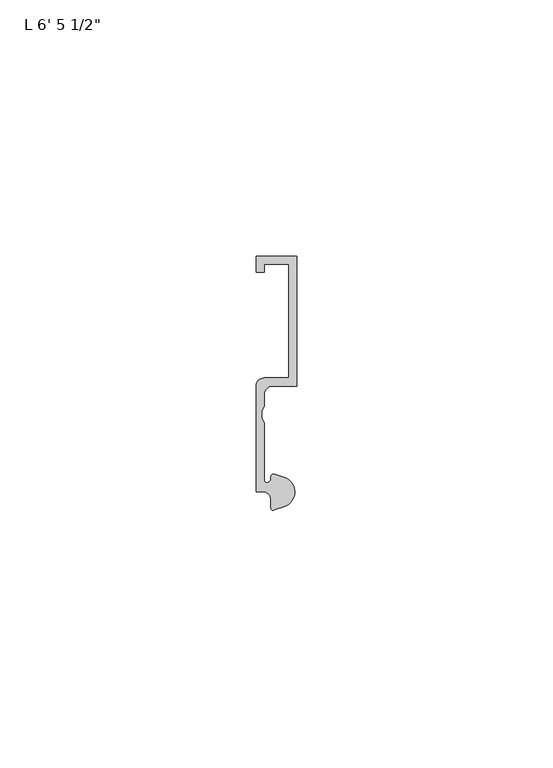
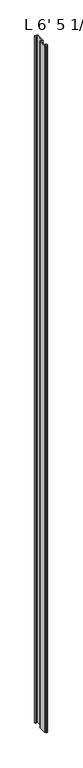
"""IFC4 building model written with IfcOpenShell, lengths in millimetres: proxy geometry."""

import ifcopenshell
import ifcopenshell.guid

model = None  # the IFC model being written
_history = None  # IfcOwnerHistory: only IFC2X3 demands one
_inside = {}  # id of a spatial element -> (the spatial element, [elements in it])
_under = {}  # id of a project, library or spatial element -> (it, [spatial elements below it])
_declared = {}  # id of a project -> (the project, [libraries it declares])
_typed = {}  # id of a type object -> (the type object, [elements of that type])
_made_of = {}  # id of a material, layer set ... -> (it, [elements and type objects made of it])


def new_model(schema):
    """Start an empty IFC model of exactly this schema.

    Asked for "IFC4X3", IfcOpenShell would pick the latest addendum, in which some entities
    have other attributes; the version numbers below select the first issue.
    IFC2X3 requires an IfcOwnerHistory on every rooted entity: one is made here for all.
    """
    global model, _history
    if schema == "IFC4X3":
        model = ifcopenshell.file(schema_version=(4, 3, 0, 0))
    else:
        model = ifcopenshell.file(schema=schema)
    _inside.clear()
    _under.clear()
    _declared.clear()
    _typed.clear()
    _made_of.clear()
    _history = None
    if model.schema == "IFC2X3":
        org = make("IfcOrganization", Name="unknown")
        user = make(
            "IfcPersonAndOrganization",
            ThePerson=make("IfcPerson", FamilyName="unknown"),
            TheOrganization=org,
        )
        app = make(
            "IfcApplication",
            ApplicationDeveloper=org,
            Version="unknown",
            ApplicationFullName="unknown",
            ApplicationIdentifier="unknown",
        )
        _history = make(
            "IfcOwnerHistory",
            OwningUser=user,
            OwningApplication=app,
            ChangeAction="ADDED",
            CreationDate=0,
        )
    return model


def make(cls, **values):
    """One entity of the class cls with the attributes given. An attribute that is None is left unset."""
    return model.create_entity(
        cls, **{name: value for name, value in values.items() if value is not None}
    )


def rooted(cls, **values):
    """An entity with a GlobalId (a new one), such as an element, a storey or a relation."""
    return make(cls, GlobalId=ifcopenshell.guid.new(), OwnerHistory=_history, **values)


def si_unit(unit_type, name, prefix=None):
    """IfcSIUnit, for example si_unit("LENGTHUNIT", "METRE", prefix="MILLI")."""
    return make("IfcSIUnit", UnitType=unit_type, Prefix=prefix, Name=name)


def assignment(units):
    """IfcUnitAssignment: the units of a project."""
    return None if units is None else make("IfcUnitAssignment", Units=units)


def point(xyz):
    """IfcCartesianPoint."""
    return None if xyz is None else make("IfcCartesianPoint", Coordinates=xyz)


def direction(xyz):
    """IfcDirection."""
    return None if xyz is None else make("IfcDirection", DirectionRatios=xyz)


def frame(location, z_axis=None, x_axis=None):
    """IfcAxis2Placement3D, a coordinate frame: its origin and axes. An axis left out is left unset."""
    return make(
        "IfcAxis2Placement3D",
        Location=point(location),
        Axis=direction(z_axis),
        RefDirection=direction(x_axis),
    )


def frame_2d(location, x_axis=None):
    """IfcAxis2Placement2D, a coordinate frame in the plane: its origin and x axis."""
    return make(
        "IfcAxis2Placement2D", Location=point(location), RefDirection=direction(x_axis)
    )


def origin():
    """The frame at (0, 0, 0) with its axes left unset."""
    return frame((0.0, 0.0, 0.0))


def origin_with_axes():
    """The frame at (0, 0, 0) with the z axis (0, 0, 1) and the x axis (1, 0, 0) written out."""
    return frame((0.0, 0.0, 0.0), z_axis=(0.0, 0.0, 1.0), x_axis=(1.0, 0.0, 0.0))


def place(relative_to, where):
    """IfcLocalPlacement: puts the frame where relative to a parent placement (None: the world)."""
    return make(
        "IfcLocalPlacement", PlacementRelTo=relative_to, RelativePlacement=where
    )


def context(
    kind, dimensions, precision=None, world=None, true_north=None, identifier=None
):
    """IfcGeometricRepresentationContext, for example the 3D "Model" context."""
    return make(
        "IfcGeometricRepresentationContext",
        ContextIdentifier=identifier,
        ContextType=kind,
        CoordinateSpaceDimension=dimensions,
        Precision=precision,
        WorldCoordinateSystem=world,
        TrueNorth=true_north,
    )


def project(units=None, contexts=None):
    """IfcProject with its units and contexts."""
    return rooted(
        "IfcProject",
        Name="project",
        RepresentationContexts=contexts,
        UnitsInContext=assignment(units),
    )


def spatial(cls, under=None, at=None, **own):
    """A site, building, storey or space (cls), placed at a placement, below another one or the project."""
    s = rooted(cls, ObjectPlacement=at, **own)
    if under is not None:
        _under.setdefault(under.id(), (under, []))[1].append(s)
    return s


def polyline(points):
    """IfcPolyline through the points."""
    return make("IfcPolyline", Points=[point(p) for p in points])


def circle_curve(where, radius):
    """IfcCircle in the frame where."""
    return make("IfcCircle", Position=where, Radius=radius)


def trimmed(basis, trim1, trim2, sense, master):
    """IfcTrimmedCurve: the piece of a basis curve between two trims."""
    return make(
        "IfcTrimmedCurve",
        BasisCurve=basis,
        Trim1=trim1,
        Trim2=trim2,
        SenseAgreement=sense,
        MasterRepresentation=master,
    )


def segment(curve, same_sense, transition):
    """IfcCompositeCurveSegment."""
    return make(
        "IfcCompositeCurveSegment",
        Transition=transition,
        SameSense=same_sense,
        ParentCurve=curve,
    )


def composite_curve(segments, self_intersect=None):
    """IfcCompositeCurve: segments joined end to end."""
    return make("IfcCompositeCurve", Segments=segments, SelfIntersect=self_intersect)


def outline(outer, holes=None, kind="AREA"):
    """IfcArbitraryClosedProfileDef: a profile drawn as a closed curve; with holes, ...WithVoids."""
    if holes is None:
        return make("IfcArbitraryClosedProfileDef", ProfileType=kind, OuterCurve=outer)
    return make(
        "IfcArbitraryProfileDefWithVoids",
        ProfileType=kind,
        OuterCurve=outer,
        InnerCurves=holes,
    )


def extrude(swept, where, along, depth):
    """IfcExtrudedAreaSolid: the profile swept, set in the frame where, extruded along a direction by depth."""
    return make(
        "IfcExtrudedAreaSolid",
        SweptArea=swept,
        Position=where,
        ExtrudedDirection=direction(along),
        Depth=depth,
    )


def shape(context_of_items, identifier, shape_type, items):
    """IfcShapeRepresentation: the items that make up one representation, for example the "Body"."""
    return make(
        "IfcShapeRepresentation",
        ContextOfItems=context_of_items,
        RepresentationIdentifier=identifier,
        RepresentationType=shape_type,
        Items=items,
    )


def source(mapping_origin, context_of_items, identifier, shape_type, items):
    """IfcRepresentationMap: a shape defined once, which mapped items show again and again."""
    return make(
        "IfcRepresentationMap",
        MappingOrigin=mapping_origin,
        MappedRepresentation=shape(context_of_items, identifier, shape_type, items),
    )


def transform(
    local_origin,
    x_axis=None,
    y_axis=None,
    z_axis=None,
    scale=None,
    scale2=None,
    scale3=None,
    uniform=True,
):
    """IfcCartesianTransformationOperator3D, or its non-uniform kind. x_axis, y_axis, z_axis: its Axis1, 2, 3."""
    if uniform:
        return make(
            "IfcCartesianTransformationOperator3D",
            Axis1=direction(x_axis),
            Axis2=direction(y_axis),
            LocalOrigin=point(local_origin),
            Scale=scale,
            Axis3=direction(z_axis),
        )
    return make(
        "IfcCartesianTransformationOperator3DnonUniform",
        Axis1=direction(x_axis),
        Axis2=direction(y_axis),
        LocalOrigin=point(local_origin),
        Scale=scale,
        Axis3=direction(z_axis),
        Scale2=scale2,
        Scale3=scale3,
    )


def mapped(mapping_source, mapping_target):
    """IfcMappedItem: shows the shape of a source again, moved by a transform."""
    return make(
        "IfcMappedItem", MappingSource=mapping_source, MappingTarget=mapping_target
    )


def made_of(thing, what):
    """Note that an element or type object is made of a material, layer set ...; save() writes the relation."""
    if what is not None:
        _made_of.setdefault(what.id(), (what, []))[1].append(thing)
    return thing


def element(
    cls,
    number,
    at=None,
    inside=None,
    cuts=None,
    type_object=None,
    material=None,
    context=None,
    identifier="Body",
    shape_type=None,
    held_by="IfcProductDefinitionShape",
    body=None,
    shapes=None,
    **own,
):
    """One element of the class cls, such as IfcWall. Its Tag is "e" and its number.

    at: its placement. inside: the storey or other place that contains it. cuts: it is an
    opening in that element (IfcRelVoidsElement). A single representation is given by context,
    identifier, shape_type and body (its items); several are given by shapes. held_by: the class
    of the entity that holds the representations. save() writes the other relations.
    """
    e = rooted(cls, Tag="e%d" % number, ObjectPlacement=at, **own)
    if body is not None:
        shapes = [shape(context, identifier, shape_type, body)]
    if shapes is not None:
        e.Representation = make(held_by, Representations=shapes)
    if inside is not None:
        _inside.setdefault(inside.id(), (inside, []))[1].append(e)
    if cuts is not None:
        rooted(
            "IfcRelVoidsElement", RelatingBuildingElement=cuts, RelatedOpeningElement=e
        )
    if type_object is not None:
        _typed.setdefault(type_object.id(), (type_object, []))[1].append(e)
    return made_of(e, material)


def aggregate(whole, parts):
    """IfcRelAggregates: a whole, such as a stair, and the parts it consists of."""
    return rooted("IfcRelAggregates", RelatingObject=whole, RelatedObjects=parts)


def save(model, path):
    """Write the relations noted so far, then the file.

    IfcRelAggregates (storeys below a building ...), IfcRelContainedInSpatialStructure (elements
    in a storey), IfcRelDefinesByType, IfcRelAssociatesMaterial and IfcRelDeclares: one each for
    every whole, place, type object, material and project.
    """
    for whole, parts in _under.values():
        aggregate(whole, parts)
    for where, things in _inside.values():
        rooted(
            "IfcRelContainedInSpatialStructure",
            RelatedElements=things,
            RelatingStructure=where,
        )
    for kind, things in _typed.values():
        rooted("IfcRelDefinesByType", RelatedObjects=things, RelatingType=kind)
    for what, things in _made_of.values():
        rooted("IfcRelAssociatesMaterial", RelatedObjects=things, RelatingMaterial=what)
    for by, libraries in _declared.values():
        rooted("IfcRelDeclares", RelatingContext=by, RelatedDefinitions=libraries)
    model.write(path)


def proxy_54828d30(model_context):
    return source(origin(), model_context, "Body", "SweptSolid", [
        extrude(outline(composite_curve([segment(polyline([(5.4099313, 0.6224223), (3.5749842, 0.0497144)]), True, "CONTINUOUS"), segment(trimmed(circle_curve(frame_2d((3.3646912, 0.4696291)), 0.4696291), [point((3.5749842, 0.0497144))], [point((2.8950622, 0.4696291))], False, "CARTESIAN"), True, "CONTINUOUS"), segment(polyline([(2.8950622, 0.4696291), (2.8950622, 2.0112392)]), True, "CONTINUOUS"), segment(trimmed(circle_curve(frame_2d((1.3075622, 2.0112392)), 1.5875), [point((2.8950622, 2.0112392))], [point((1.3075622, 3.5987392))], True, "CARTESIAN"), True, "CONTINUOUS"), segment(polyline([(1.3075622, 3.5987392), (0.0, 3.5987392), (0.0, 24.2362392)]), True, "CONTINUOUS"), segment(trimmed(circle_curve(frame_2d((1.5875, 24.2362392)), 1.5875), [point((0.0, 24.2362392))], [point((1.5875, 25.8237392))], False, "CARTESIAN"), True, "CONTINUOUS"), segment(polyline([(1.5875, 25.8237392), (6.35, 25.8237392), (6.35, 48.0300641), (1.5875, 48.0300641), (1.5875, 46.4425641), (0.0, 46.4425641), (0.0, 49.6175641), (7.9375, 49.6175641), (7.9375, 24.2134797), (3.175, 24.2134797)]), True, "CONTINUOUS"), segment(trimmed(circle_curve(frame_2d((3.175, 22.6259797)), 1.5875), [point((3.175, 24.2134797))], [point((1.5875, 22.6259797))], True, "CARTESIAN"), True, "CONTINUOUS"), segment(polyline([(1.5875, 22.6259797), (1.5875, 20.2473512), (1.0783361, 19.3299316), (1.0783361, 17.9897709), (1.5875, 17.0723512), (1.5875, 5.8847392)]), True, "CONTINUOUS"), segment(trimmed(circle_curve(frame_2d((2.0955, 5.8847392)), 0.508), [point((1.5875, 5.8847392))], [point((2.1123834, 5.3770198))], True, "CARTESIAN"), True, "CONTINUOUS"), segment(trimmed(circle_curve(frame_2d((2.1330622, 6.1387392)), 0.762), [point((2.1123834, 5.3770198))], [point((2.8720827, 6.3244611))], True, "CARTESIAN"), True, "CONTINUOUS"), segment(trimmed(circle_curve(frame_2d((3.4254762, 6.4635334)), 0.5706009), [point((2.8720827, 6.3244611))], [point((3.6135887, 7.0022347))], False, "CARTESIAN"), True, "CONTINUOUS"), segment(polyline([(3.6135887, 7.0022347), (5.4099313, 6.4415757)]), True, "CONTINUOUS"), segment(trimmed(circle_curve(frame_2d((4.5018192, 3.531999)), 3.048), [point((5.4099313, 6.4415757))], [point((7.1037699, 1.944499))], False, "CARTESIAN"), True, "CONTINUOUS"), segment(trimmed(circle_curve(frame_2d((4.5018192, 3.531999)), 3.048), [point((7.1037699, 1.944499))], [point((5.4099313, 0.6224223))], False, "CARTESIAN"), True, "CONTINUOUS")], self_intersect=False)), origin_with_axes(), (0.0, 0.0, 1.0), 1968.5),
    ])


if __name__ == "__main__":
    model = new_model("IFC4")
    model_context = context("Model", 3, world=origin())
    ifc_project = project(units=[si_unit("LENGTHUNIT", "METRE", prefix="MILLI")], contexts=[model_context])
    site = spatial("IfcSite", under=ifc_project)
    building = spatial("IfcBuilding", under=site)
    placement = place(None, origin())
    proxy_shape = proxy_54828d30(model_context)
    element("IfcBuildingElementProxy", 1, Name="L 6' 5 1/2\"", ObjectType="L 6' 5 1/2\"", at=placement, inside=building, context=model_context, shape_type="MappedRepresentation", body=[
        mapped(proxy_shape, transform((0.0, 0.0, 0.0), x_axis=(1.0, 0.0, 0.0), y_axis=(0.0, 1.0, 0.0), z_axis=(0.0, 0.0, 1.0))),
    ])
    save(model, "model.ifc")
